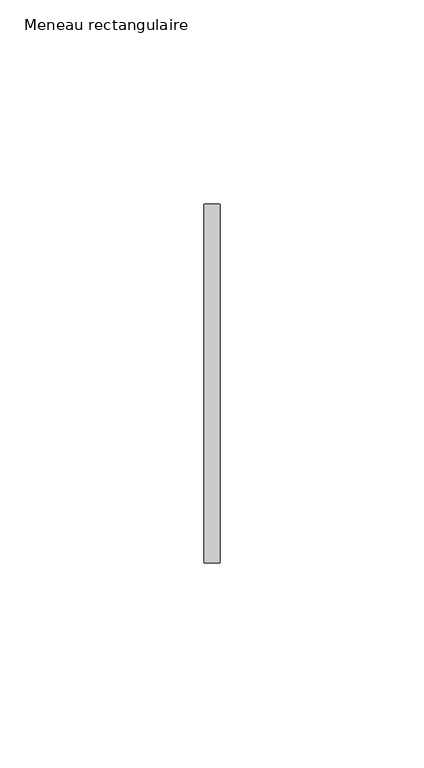
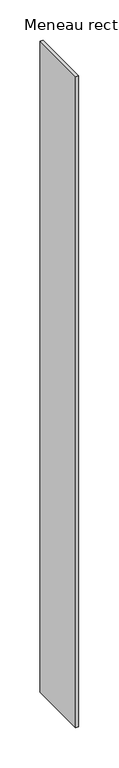
"""IFC4 building model written with IfcOpenShell, lengths in millimetres: member geometry, Meneau rectangulaire."""

from ifc_helpers import new_model, si_unit, frame, origin, place, context, project, spatial, polyline, outline, extrude, source, transform, mapped, element, save


def meneau_rectangulaire_7857bac9(model_context):
    return source(origin(), model_context, "Body", "SweptSolid", [
        extrude(outline(polyline([(-2.0, 44.0), (2.0, 44.0), (2.0, -44.0), (-2.0, -44.0), (-2.0, 44.0)])), frame((0.0, 0.0, -983.5), z_axis=(0.0, 0.0, 1.0), x_axis=(1.0, 0.0, 0.0)), (0.0, 0.0, 1.0), 983.5),
    ])


if __name__ == "__main__":
    model = new_model("IFC4")
    model_context = context("Model", 3, world=origin())
    ifc_project = project(units=[si_unit("LENGTHUNIT", "METRE", prefix="MILLI")], contexts=[model_context])
    site = spatial("IfcSite", under=ifc_project)
    building = spatial("IfcBuilding", under=site)
    placement = place(None, origin())
    meneau_rectangulaire_shape = meneau_rectangulaire_7857bac9(model_context)
    element("IfcMember", 1, ObjectType="Meneau rectangulaire", at=placement, inside=building, context=model_context, shape_type="MappedRepresentation", body=[
        mapped(meneau_rectangulaire_shape, transform((0.0, 0.0, 0.0), x_axis=(1.0, 0.0, 0.0), y_axis=(0.0, 1.0, 0.0), z_axis=(0.0, 0.0, 1.0))),
    ])
    save(model, "model.ifc")
